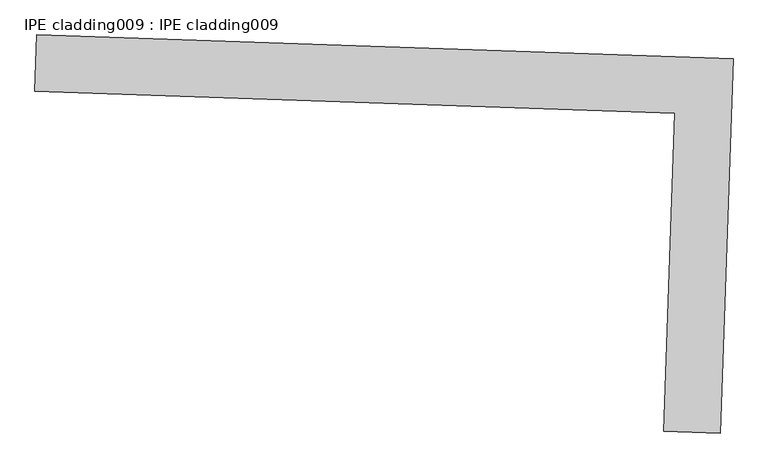
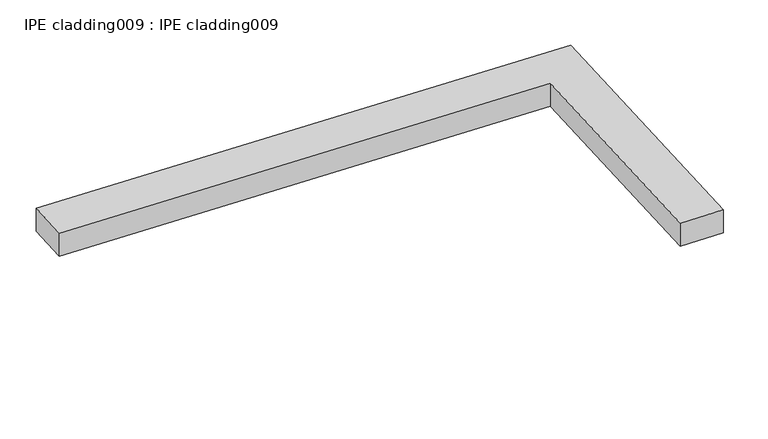
"""IFC4 building model written with IfcOpenShell, lengths in millimetres: proxy geometry, IPE cladding009 : IPE cladding009."""

from ifc_helpers import new_model, si_unit, frame, origin, place, context, project, spatial, polyline, outline, extrude, source, transform, mapped, element, save


def ipe_cladding009_ipe_cladding009_b1958d35(model_context):
    return source(origin(), model_context, "Body", "SweptSolid", [
        extrude(outline(polyline([(17306.5036745, -14579.7358955), (17309.5442113, -14490.8879066), (18404.9713729, -14528.3753792), (18384.8189497, -15117.2524178), (18295.9709606, -15114.2118811), (18313.0828474, -14614.1828312), (17306.5036745, -14579.7358955)])), frame((0.0, 0.0, 1039.175707), z_axis=(0.0, 0.0, 1.0), x_axis=(1.0, 0.0, 0.0)), (0.0, 0.0, 1.0), 50.8),
    ])


if __name__ == "__main__":
    model = new_model("IFC4")
    model_context = context("Model", 3, world=origin())
    ifc_project = project(units=[si_unit("LENGTHUNIT", "METRE", prefix="MILLI")], contexts=[model_context])
    site = spatial("IfcSite", under=ifc_project)
    building = spatial("IfcBuilding", under=site)
    placement = place(None, origin())
    ipe_cladding009_ipe_cladding009_shape = ipe_cladding009_ipe_cladding009_b1958d35(model_context)
    element("IfcBuildingElementProxy", 1, Name="IPE cladding009 : IPE cladding009", ObjectType="IPE cladding009 : IPE cladding009", at=placement, inside=building, context=model_context, shape_type="MappedRepresentation", body=[
        mapped(ipe_cladding009_ipe_cladding009_shape, transform((0.0, 0.0, 0.0), x_axis=(1.0, 0.0, 0.0), y_axis=(0.0, 1.0, 0.0), z_axis=(0.0, 0.0, 1.0))),
    ])
    save(model, "model.ifc")
